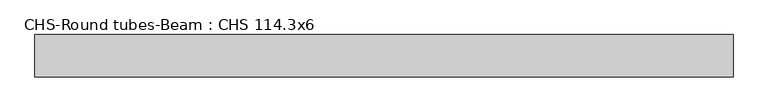
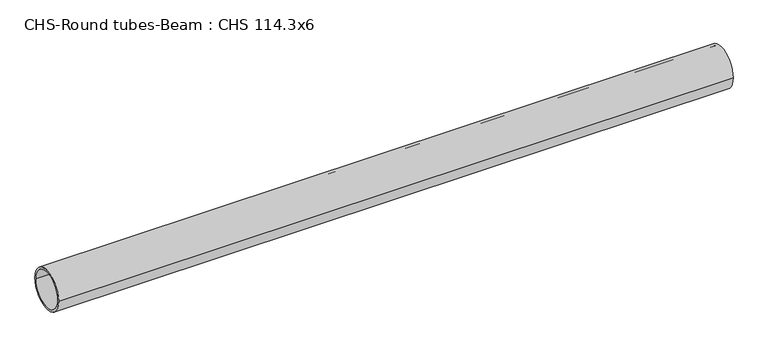
"""IFC4 building model written with IfcOpenShell, lengths in millimetres: beam geometry, CHS-Round tubes-Beam : CHS 114.3x6."""

import ifcopenshell
import ifcopenshell.guid

model = None  # the IFC model being written
_history = None  # IfcOwnerHistory: only IFC2X3 demands one
_inside = {}  # id of a spatial element -> (the spatial element, [elements in it])
_under = {}  # id of a project, library or spatial element -> (it, [spatial elements below it])
_declared = {}  # id of a project -> (the project, [libraries it declares])
_typed = {}  # id of a type object -> (the type object, [elements of that type])
_made_of = {}  # id of a material, layer set ... -> (it, [elements and type objects made of it])


def new_model(schema):
    """Start an empty IFC model of exactly this schema.

    Asked for "IFC4X3", IfcOpenShell would pick the latest addendum, in which some entities
    have other attributes; the version numbers below select the first issue.
    IFC2X3 requires an IfcOwnerHistory on every rooted entity: one is made here for all.
    """
    global model, _history
    if schema == "IFC4X3":
        model = ifcopenshell.file(schema_version=(4, 3, 0, 0))
    else:
        model = ifcopenshell.file(schema=schema)
    _inside.clear()
    _under.clear()
    _declared.clear()
    _typed.clear()
    _made_of.clear()
    _history = None
    if model.schema == "IFC2X3":
        org = make("IfcOrganization", Name="unknown")
        user = make(
            "IfcPersonAndOrganization",
            ThePerson=make("IfcPerson", FamilyName="unknown"),
            TheOrganization=org,
        )
        app = make(
            "IfcApplication",
            ApplicationDeveloper=org,
            Version="unknown",
            ApplicationFullName="unknown",
            ApplicationIdentifier="unknown",
        )
        _history = make(
            "IfcOwnerHistory",
            OwningUser=user,
            OwningApplication=app,
            ChangeAction="ADDED",
            CreationDate=0,
        )
    return model


def make(cls, **values):
    """One entity of the class cls with the attributes given. An attribute that is None is left unset."""
    return model.create_entity(
        cls, **{name: value for name, value in values.items() if value is not None}
    )


def rooted(cls, **values):
    """An entity with a GlobalId (a new one), such as an element, a storey or a relation."""
    return make(cls, GlobalId=ifcopenshell.guid.new(), OwnerHistory=_history, **values)


def si_unit(unit_type, name, prefix=None):
    """IfcSIUnit, for example si_unit("LENGTHUNIT", "METRE", prefix="MILLI")."""
    return make("IfcSIUnit", UnitType=unit_type, Prefix=prefix, Name=name)


def assignment(units):
    """IfcUnitAssignment: the units of a project."""
    return None if units is None else make("IfcUnitAssignment", Units=units)


def point(xyz):
    """IfcCartesianPoint."""
    return None if xyz is None else make("IfcCartesianPoint", Coordinates=xyz)


def direction(xyz):
    """IfcDirection."""
    return None if xyz is None else make("IfcDirection", DirectionRatios=xyz)


def frame(location, z_axis=None, x_axis=None):
    """IfcAxis2Placement3D, a coordinate frame: its origin and axes. An axis left out is left unset."""
    return make(
        "IfcAxis2Placement3D",
        Location=point(location),
        Axis=direction(z_axis),
        RefDirection=direction(x_axis),
    )


def frame_2d(location, x_axis=None):
    """IfcAxis2Placement2D, a coordinate frame in the plane: its origin and x axis."""
    return make(
        "IfcAxis2Placement2D", Location=point(location), RefDirection=direction(x_axis)
    )


def origin():
    """The frame at (0, 0, 0) with its axes left unset."""
    return frame((0.0, 0.0, 0.0))


def origin_2d():
    """The frame at (0, 0) in the plane with its x axis left unset."""
    return frame_2d((0.0, 0.0))


def place(relative_to, where):
    """IfcLocalPlacement: puts the frame where relative to a parent placement (None: the world)."""
    return make(
        "IfcLocalPlacement", PlacementRelTo=relative_to, RelativePlacement=where
    )


def context(
    kind, dimensions, precision=None, world=None, true_north=None, identifier=None
):
    """IfcGeometricRepresentationContext, for example the 3D "Model" context."""
    return make(
        "IfcGeometricRepresentationContext",
        ContextIdentifier=identifier,
        ContextType=kind,
        CoordinateSpaceDimension=dimensions,
        Precision=precision,
        WorldCoordinateSystem=world,
        TrueNorth=true_north,
    )


def project(units=None, contexts=None):
    """IfcProject with its units and contexts."""
    return rooted(
        "IfcProject",
        Name="project",
        RepresentationContexts=contexts,
        UnitsInContext=assignment(units),
    )


def spatial(cls, under=None, at=None, **own):
    """A site, building, storey or space (cls), placed at a placement, below another one or the project."""
    s = rooted(cls, ObjectPlacement=at, **own)
    if under is not None:
        _under.setdefault(under.id(), (under, []))[1].append(s)
    return s


def circle_curve(where, radius):
    """IfcCircle in the frame where."""
    return make("IfcCircle", Position=where, Radius=radius)


def trimmed(basis, trim1, trim2, sense, master):
    """IfcTrimmedCurve: the piece of a basis curve between two trims."""
    return make(
        "IfcTrimmedCurve",
        BasisCurve=basis,
        Trim1=trim1,
        Trim2=trim2,
        SenseAgreement=sense,
        MasterRepresentation=master,
    )


def segment(curve, same_sense, transition):
    """IfcCompositeCurveSegment."""
    return make(
        "IfcCompositeCurveSegment",
        Transition=transition,
        SameSense=same_sense,
        ParentCurve=curve,
    )


def composite_curve(segments, self_intersect=None):
    """IfcCompositeCurve: segments joined end to end."""
    return make("IfcCompositeCurve", Segments=segments, SelfIntersect=self_intersect)


def outline(outer, holes=None, kind="AREA"):
    """IfcArbitraryClosedProfileDef: a profile drawn as a closed curve; with holes, ...WithVoids."""
    if holes is None:
        return make("IfcArbitraryClosedProfileDef", ProfileType=kind, OuterCurve=outer)
    return make(
        "IfcArbitraryProfileDefWithVoids",
        ProfileType=kind,
        OuterCurve=outer,
        InnerCurves=holes,
    )


def extrude(swept, where, along, depth):
    """IfcExtrudedAreaSolid: the profile swept, set in the frame where, extruded along a direction by depth."""
    return make(
        "IfcExtrudedAreaSolid",
        SweptArea=swept,
        Position=where,
        ExtrudedDirection=direction(along),
        Depth=depth,
    )


def shape(context_of_items, identifier, shape_type, items):
    """IfcShapeRepresentation: the items that make up one representation, for example the "Body"."""
    return make(
        "IfcShapeRepresentation",
        ContextOfItems=context_of_items,
        RepresentationIdentifier=identifier,
        RepresentationType=shape_type,
        Items=items,
    )


def source(mapping_origin, context_of_items, identifier, shape_type, items):
    """IfcRepresentationMap: a shape defined once, which mapped items show again and again."""
    return make(
        "IfcRepresentationMap",
        MappingOrigin=mapping_origin,
        MappedRepresentation=shape(context_of_items, identifier, shape_type, items),
    )


def transform(
    local_origin,
    x_axis=None,
    y_axis=None,
    z_axis=None,
    scale=None,
    scale2=None,
    scale3=None,
    uniform=True,
):
    """IfcCartesianTransformationOperator3D, or its non-uniform kind. x_axis, y_axis, z_axis: its Axis1, 2, 3."""
    if uniform:
        return make(
            "IfcCartesianTransformationOperator3D",
            Axis1=direction(x_axis),
            Axis2=direction(y_axis),
            LocalOrigin=point(local_origin),
            Scale=scale,
            Axis3=direction(z_axis),
        )
    return make(
        "IfcCartesianTransformationOperator3DnonUniform",
        Axis1=direction(x_axis),
        Axis2=direction(y_axis),
        LocalOrigin=point(local_origin),
        Scale=scale,
        Axis3=direction(z_axis),
        Scale2=scale2,
        Scale3=scale3,
    )


def mapped(mapping_source, mapping_target):
    """IfcMappedItem: shows the shape of a source again, moved by a transform."""
    return make(
        "IfcMappedItem", MappingSource=mapping_source, MappingTarget=mapping_target
    )


def made_of(thing, what):
    """Note that an element or type object is made of a material, layer set ...; save() writes the relation."""
    if what is not None:
        _made_of.setdefault(what.id(), (what, []))[1].append(thing)
    return thing


def element(
    cls,
    number,
    at=None,
    inside=None,
    cuts=None,
    type_object=None,
    material=None,
    context=None,
    identifier="Body",
    shape_type=None,
    held_by="IfcProductDefinitionShape",
    body=None,
    shapes=None,
    **own,
):
    """One element of the class cls, such as IfcWall. Its Tag is "e" and its number.

    at: its placement. inside: the storey or other place that contains it. cuts: it is an
    opening in that element (IfcRelVoidsElement). A single representation is given by context,
    identifier, shape_type and body (its items); several are given by shapes. held_by: the class
    of the entity that holds the representations. save() writes the other relations.
    """
    e = rooted(cls, Tag="e%d" % number, ObjectPlacement=at, **own)
    if body is not None:
        shapes = [shape(context, identifier, shape_type, body)]
    if shapes is not None:
        e.Representation = make(held_by, Representations=shapes)
    if inside is not None:
        _inside.setdefault(inside.id(), (inside, []))[1].append(e)
    if cuts is not None:
        rooted(
            "IfcRelVoidsElement", RelatingBuildingElement=cuts, RelatedOpeningElement=e
        )
    if type_object is not None:
        _typed.setdefault(type_object.id(), (type_object, []))[1].append(e)
    return made_of(e, material)


def aggregate(whole, parts):
    """IfcRelAggregates: a whole, such as a stair, and the parts it consists of."""
    return rooted("IfcRelAggregates", RelatingObject=whole, RelatedObjects=parts)


def save(model, path):
    """Write the relations noted so far, then the file.

    IfcRelAggregates (storeys below a building ...), IfcRelContainedInSpatialStructure (elements
    in a storey), IfcRelDefinesByType, IfcRelAssociatesMaterial and IfcRelDeclares: one each for
    every whole, place, type object, material and project.
    """
    for whole, parts in _under.values():
        aggregate(whole, parts)
    for where, things in _inside.values():
        rooted(
            "IfcRelContainedInSpatialStructure",
            RelatedElements=things,
            RelatingStructure=where,
        )
    for kind, things in _typed.values():
        rooted("IfcRelDefinesByType", RelatedObjects=things, RelatingType=kind)
    for what, things in _made_of.values():
        rooted("IfcRelAssociatesMaterial", RelatedObjects=things, RelatingMaterial=what)
    for by, libraries in _declared.values():
        rooted("IfcRelDeclares", RelatingContext=by, RelatedDefinitions=libraries)
    model.write(path)


def chs_round_tubes_beam_chs_114_3x6_d40684c5(model_context):
    return source(origin(), model_context, "Body", "SweptSolid", [
        extrude(outline(composite_curve([segment(trimmed(circle_curve(origin_2d(), 57.15), [point((57.15, 0.0))], [point((-57.15, 0.0))], False, "CARTESIAN"), True, "CONTINUOUS"), segment(trimmed(circle_curve(origin_2d(), 57.15), [point((-57.15, 0.0))], [point((57.15, 0.0))], False, "CARTESIAN"), True, "CONTINUOUS")], self_intersect=False), holes=[composite_curve([segment(trimmed(circle_curve(origin_2d(), 51.15), [point((51.15, 0.0))], [point((-51.15, 0.0))], True, "CARTESIAN"), True, "CONTINUOUS"), segment(trimmed(circle_curve(origin_2d(), 51.15), [point((-51.15, 0.0))], [point((51.15, 0.0))], True, "CARTESIAN"), True, "CONTINUOUS")], self_intersect=False)]), frame((-893.3100844, 0.0, 0.0), z_axis=(1.0, 0.0, 0.0), x_axis=(0.0, 1.0, 0.0)), (0.0, 0.0, 1.0), 1877.8302669),
    ])


if __name__ == "__main__":
    model = new_model("IFC4")
    model_context = context("Model", 3, world=origin())
    ifc_project = project(units=[si_unit("LENGTHUNIT", "METRE", prefix="MILLI")], contexts=[model_context])
    site = spatial("IfcSite", under=ifc_project)
    building = spatial("IfcBuilding", under=site)
    placement = place(None, origin())
    chs_round_tubes_beam_chs_114_3x6_shape = chs_round_tubes_beam_chs_114_3x6_d40684c5(model_context)
    element("IfcBeam", 1, ObjectType="CHS-Round tubes-Beam : CHS 114.3x6", at=placement, inside=building, context=model_context, shape_type="MappedRepresentation", body=[
        mapped(chs_round_tubes_beam_chs_114_3x6_shape, transform((0.0, 0.0, 0.0), x_axis=(1.0, 0.0, 0.0), y_axis=(0.0, 1.0, 0.0), z_axis=(0.0, 0.0, 1.0))),
    ])
    save(model, "model.ifc")
